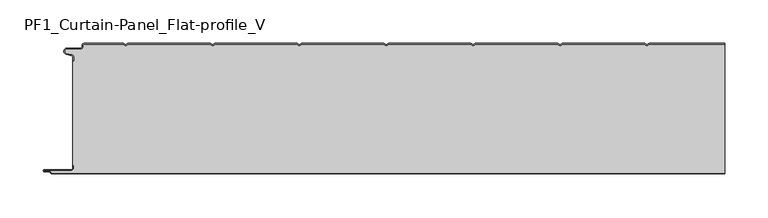
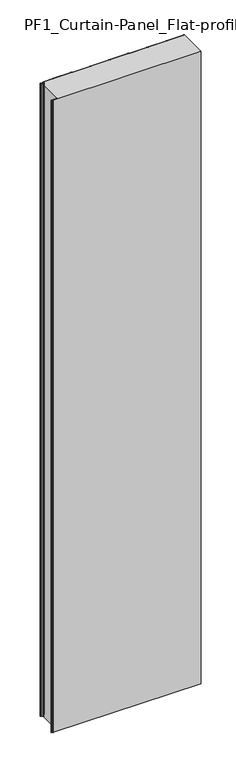
"""IFC4 building model written with IfcOpenShell, lengths in millimetres: plate geometry, PF1_Curtain-Panel_Flat-profile_V."""

from ifc_helpers import new_model, si_unit, point, frame_2d, origin, origin_with_axes, place, context, project, spatial, polyline, circle_curve, trimmed, segment, composite_curve, outline, extrude, source, transform, mapped, element, save


def pf1_curtain_panel_flat_profile_v_e6af6376(model_context):
    return source(origin(), model_context, "Body", "SweptSolid", [
        extrude(outline(composite_curve([segment(trimmed(circle_curve(frame_2d((-377.0, -15.878557)), 2.0), [point((-375.0, -15.878557))], [point((-376.5500978, -13.9298169))], True, "CARTESIAN"), True, "CONTINUOUS"), segment(polyline([(-376.5500978, -13.9298169), (-382.7098239, -12.507732)]), True, "CONTINUOUS"), segment(trimmed(circle_curve(frame_2d((-381.9, -9.0)), 3.6), [point((-382.7098239, -12.507732))], [point((-381.9, -5.4))], False, "CARTESIAN"), True, "CONTINUOUS"), segment(polyline([(-381.9, -5.4), (-366.4, -5.4)]), True, "CONTINUOUS"), segment(trimmed(circle_curve(frame_2d((-366.4, -3.4)), 2.0), [point((-366.4, -5.4))], [point((-364.4, -3.4))], True, "CARTESIAN"), True, "CONTINUOUS"), segment(polyline([(-364.4, -3.4), (-364.4, -2.0)]), True, "CONTINUOUS"), segment(trimmed(circle_curve(frame_2d((-362.4, -2.0)), 2.0), [point((-364.4, -2.0))], [point((-362.4, 0.0))], False, "CARTESIAN"), True, "CONTINUOUS"), segment(polyline([(-362.4, 0.0), (-317.0999995, 0.0), (-314.4, -1.5588455), (-311.7000005, 0.0), (-217.0999995, 0.0), (-214.4, -1.5588455), (-211.7000005, 0.0), (-117.0999995, 0.0), (-114.4, -1.5588455), (-111.7000005, 0.0), (-17.0999995, 0.0), (-14.4, -1.5588455), (-11.7000005, 0.0), (82.9000005, 0.0), (85.6, -1.5588455), (88.2999995, 0.0), (182.9000005, 0.0), (185.6, -1.5588455), (188.2999995, 0.0), (282.9000005, 0.0), (285.6, -1.5588455), (288.2999995, 0.0), (375.0, 0.0), (375.0, -0.8), (288.5143588, -0.8), (285.6, -2.482606), (282.6856412, -0.8), (188.5143588, -0.8), (185.6, -2.482606), (182.6856412, -0.8), (88.5143588, -0.8), (85.6, -2.482606), (82.6856412, -0.8), (-11.4856412, -0.8), (-14.4, -2.482606), (-17.3143588, -0.8), (-111.4856412, -0.8), (-114.4, -2.482606), (-117.3143588, -0.8), (-211.4856412, -0.8), (-214.4, -2.482606), (-217.3143588, -0.8), (-311.4856412, -0.8), (-314.4, -2.482606), (-317.3143588, -0.8), (-362.4, -0.8)]), True, "CONTINUOUS"), segment(trimmed(circle_curve(frame_2d((-362.4, -2.0)), 1.2), [point((-362.4, -0.8))], [point((-363.6, -2.0))], True, "CARTESIAN"), True, "CONTINUOUS"), segment(polyline([(-363.6, -2.0), (-363.6, -3.4)]), True, "CONTINUOUS"), segment(trimmed(circle_curve(frame_2d((-366.4, -3.4)), 2.8), [point((-363.6, -3.4))], [point((-366.4, -6.2))], False, "CARTESIAN"), True, "CONTINUOUS"), segment(polyline([(-366.4, -6.2), (-381.9, -6.2)]), True, "CONTINUOUS"), segment(trimmed(circle_curve(frame_2d((-381.9, -9.0)), 2.8), [point((-381.9, -6.2))], [point((-382.529863, -11.7282362))], True, "CARTESIAN"), True, "CONTINUOUS"), segment(polyline([(-382.529863, -11.7282362), (-376.370137, -13.150321)]), True, "CONTINUOUS"), segment(trimmed(circle_curve(frame_2d((-377.0, -15.878557)), 2.8), [point((-376.370137, -13.150321))], [point((-374.2, -15.878557))], False, "CARTESIAN"), True, "CONTINUOUS"), segment(polyline([(-374.2, -15.878557), (-374.2, -20.0), (-375.0, -20.0), (-375.0, -15.878557)]), True, "CONTINUOUS")], self_intersect=False)), origin_with_axes(), (0.0, 0.0, 1.0), 3500.0),
        extrude(outline(composite_curve([segment(polyline([(-374.2, -140.0), (-375.0, -140.0), (-375.0, -20.0), (-374.2, -20.0), (-374.2, -15.878557)]), True, "CONTINUOUS"), segment(trimmed(circle_curve(frame_2d((-377.0, -15.878557)), 2.8), [point((-374.2, -15.878557))], [point((-376.370137, -13.1503208))], True, "CARTESIAN"), True, "CONTINUOUS"), segment(polyline([(-376.370137, -13.1503208), (-382.529863, -11.7282362)]), True, "CONTINUOUS"), segment(trimmed(circle_curve(frame_2d((-381.9, -9.0)), 2.8), [point((-382.529863, -11.7282362))], [point((-381.9, -6.2))], False, "CARTESIAN"), True, "CONTINUOUS"), segment(polyline([(-381.9, -6.2), (-366.4, -6.2)]), True, "CONTINUOUS"), segment(trimmed(circle_curve(frame_2d((-366.4, -3.4)), 2.8), [point((-366.4, -6.2))], [point((-363.6, -3.4))], True, "CARTESIAN"), True, "CONTINUOUS"), segment(polyline([(-363.6, -3.4), (-363.6, -2.0)]), True, "CONTINUOUS"), segment(trimmed(circle_curve(frame_2d((-362.4, -2.0)), 1.2), [point((-363.6, -2.0))], [point((-362.4, -0.8))], False, "CARTESIAN"), True, "CONTINUOUS"), segment(polyline([(-362.4, -0.8), (-317.3143588, -0.8), (-314.4, -2.482606), (-311.4856412, -0.8), (-217.3143588, -0.8), (-214.4, -2.482606), (-211.4856412, -0.8), (-117.3143588, -0.8), (-114.4, -2.482606), (-111.4856412, -0.8), (-17.3143588, -0.8), (-14.4, -2.482606), (-11.4856412, -0.8), (82.6856412, -0.8), (85.6, -2.482606), (88.5143588, -0.8), (182.6856412, -0.8), (185.6, -2.482606), (188.5143588, -0.8), (282.6856412, -0.8), (285.6, -2.482606), (288.5143588, -0.8), (375.0, -0.8), (375.0, -149.2), (-399.4, -149.2)]), True, "CONTINUOUS"), segment(trimmed(circle_curve(frame_2d((-399.4, -148.4)), 0.8), [point((-399.4, -149.2))], [point((-400.2, -148.4))], False, "CARTESIAN"), True, "CONTINUOUS"), segment(trimmed(circle_curve(frame_2d((-401.9, -148.6133333)), 1.7133333), [point((-400.2, -148.4))], [point((-401.9, -146.9))], True, "CARTESIAN"), True, "CONTINUOUS"), segment(polyline([(-401.9, -146.9), (-407.8700312, -146.9)]), True, "CONTINUOUS"), segment(trimmed(circle_curve(frame_2d((-407.8700312, -146.6)), 0.3), [point((-407.8700312, -146.9))], [point((-407.8700312, -146.3))], False, "CARTESIAN"), True, "CONTINUOUS"), segment(polyline([(-407.8700312, -146.3), (-377.0, -146.3)]), True, "CONTINUOUS"), segment(trimmed(circle_curve(frame_2d((-377.0, -143.5)), 2.8), [point((-377.0, -146.3))], [point((-374.2, -143.5))], True, "CARTESIAN"), True, "CONTINUOUS"), segment(polyline([(-374.2, -143.5), (-374.2, -140.0)]), True, "CONTINUOUS")], self_intersect=False)), origin_with_axes(), (0.0, 0.0, 1.0), 3500.0),
        extrude(outline(composite_curve([segment(polyline([(-375.0, -140.0), (-374.2, -140.0), (-374.2, -143.5)]), True, "CONTINUOUS"), segment(trimmed(circle_curve(frame_2d((-377.0, -143.5)), 2.8), [point((-374.2, -143.5))], [point((-377.0, -146.3))], False, "CARTESIAN"), True, "CONTINUOUS"), segment(polyline([(-377.0, -146.3), (-407.8700312, -146.3)]), True, "CONTINUOUS"), segment(trimmed(circle_curve(frame_2d((-407.8700312, -146.6)), 0.3), [point((-407.8700312, -146.3))], [point((-407.8700312, -146.9))], True, "CARTESIAN"), True, "CONTINUOUS"), segment(polyline([(-407.8700312, -146.9), (-401.9, -146.9)]), True, "CONTINUOUS"), segment(trimmed(circle_curve(frame_2d((-401.9, -148.6133333)), 1.7133333), [point((-401.9, -146.9))], [point((-400.2, -148.4))], False, "CARTESIAN"), True, "CONTINUOUS"), segment(trimmed(circle_curve(frame_2d((-399.4, -148.4)), 0.8), [point((-400.2, -148.4))], [point((-399.4, -149.2))], True, "CARTESIAN"), True, "CONTINUOUS"), segment(polyline([(-399.4, -149.2), (375.0, -149.2), (375.0, -150.0), (-399.4, -150.0)]), True, "CONTINUOUS"), segment(trimmed(circle_curve(frame_2d((-399.4, -148.4)), 1.6), [point((-399.4, -150.0))], [point((-401.0, -148.4))], False, "CARTESIAN"), True, "CONTINUOUS"), segment(trimmed(circle_curve(frame_2d((-401.9, -148.4)), 0.9), [point((-401.0, -148.4))], [point((-401.9, -147.5))], True, "CARTESIAN"), True, "CONTINUOUS"), segment(polyline([(-401.9, -147.5), (-408.0, -147.5)]), True, "CONTINUOUS"), segment(trimmed(circle_curve(frame_2d((-408.0, -146.5)), 1.0), [point((-408.0, -147.5))], [point((-408.0, -145.5))], False, "CARTESIAN"), True, "CONTINUOUS"), segment(polyline([(-408.0, -145.5), (-377.0, -145.5)]), True, "CONTINUOUS"), segment(trimmed(circle_curve(frame_2d((-377.0, -143.5)), 2.0), [point((-377.0, -145.5))], [point((-375.0, -143.5))], True, "CARTESIAN"), True, "CONTINUOUS"), segment(polyline([(-375.0, -143.5), (-375.0, -140.0)]), True, "CONTINUOUS")], self_intersect=False)), origin_with_axes(), (0.0, 0.0, 1.0), 3500.0),
    ])


if __name__ == "__main__":
    model = new_model("IFC4")
    model_context = context("Model", 3, world=origin())
    ifc_project = project(units=[si_unit("LENGTHUNIT", "METRE", prefix="MILLI")], contexts=[model_context])
    site = spatial("IfcSite", under=ifc_project)
    building = spatial("IfcBuilding", under=site)
    placement = place(None, origin())
    pf1_curtain_panel_flat_profile_v_shape = pf1_curtain_panel_flat_profile_v_e6af6376(model_context)
    element("IfcPlate", 1, ObjectType="PF1_Curtain-Panel_Flat-profile_V", at=placement, inside=building, context=model_context, shape_type="MappedRepresentation", body=[
        mapped(pf1_curtain_panel_flat_profile_v_shape, transform((0.0, 0.0, 0.0), x_axis=(1.0, 0.0, 0.0), y_axis=(0.0, 1.0, 0.0), z_axis=(0.0, 0.0, 1.0))),
    ])
    save(model, "model.ifc")
